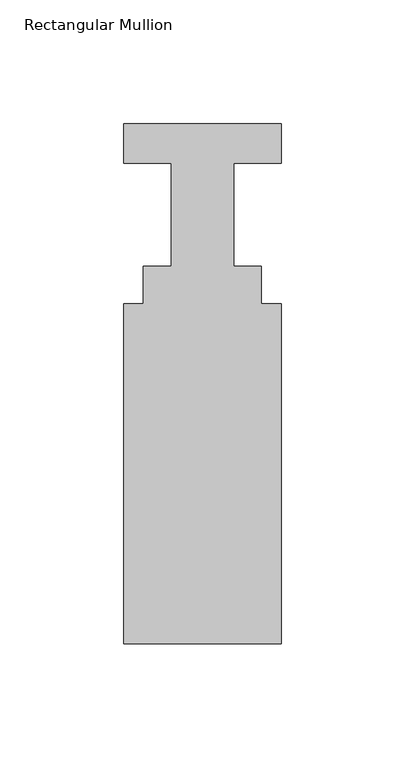
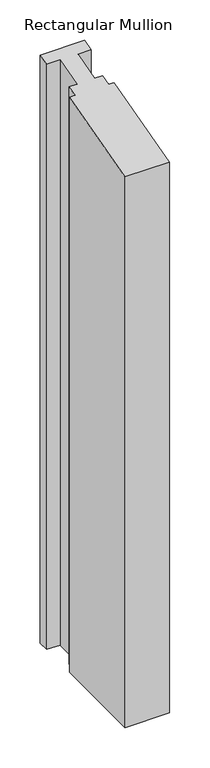
"""IFC4 building model written with IfcOpenShell, lengths in millimetres: member geometry, Rectangular Mullion."""

import ifcopenshell
import ifcopenshell.guid

model = None  # the IFC model being written
_history = None  # IfcOwnerHistory: only IFC2X3 demands one
_inside = {}  # id of a spatial element -> (the spatial element, [elements in it])
_under = {}  # id of a project, library or spatial element -> (it, [spatial elements below it])
_declared = {}  # id of a project -> (the project, [libraries it declares])
_typed = {}  # id of a type object -> (the type object, [elements of that type])
_made_of = {}  # id of a material, layer set ... -> (it, [elements and type objects made of it])


def new_model(schema):
    """Start an empty IFC model of exactly this schema.

    Asked for "IFC4X3", IfcOpenShell would pick the latest addendum, in which some entities
    have other attributes; the version numbers below select the first issue.
    IFC2X3 requires an IfcOwnerHistory on every rooted entity: one is made here for all.
    """
    global model, _history
    if schema == "IFC4X3":
        model = ifcopenshell.file(schema_version=(4, 3, 0, 0))
    else:
        model = ifcopenshell.file(schema=schema)
    _inside.clear()
    _under.clear()
    _declared.clear()
    _typed.clear()
    _made_of.clear()
    _history = None
    if model.schema == "IFC2X3":
        org = make("IfcOrganization", Name="unknown")
        user = make(
            "IfcPersonAndOrganization",
            ThePerson=make("IfcPerson", FamilyName="unknown"),
            TheOrganization=org,
        )
        app = make(
            "IfcApplication",
            ApplicationDeveloper=org,
            Version="unknown",
            ApplicationFullName="unknown",
            ApplicationIdentifier="unknown",
        )
        _history = make(
            "IfcOwnerHistory",
            OwningUser=user,
            OwningApplication=app,
            ChangeAction="ADDED",
            CreationDate=0,
        )
    return model


def make(cls, **values):
    """One entity of the class cls with the attributes given. An attribute that is None is left unset."""
    return model.create_entity(
        cls, **{name: value for name, value in values.items() if value is not None}
    )


def rooted(cls, **values):
    """An entity with a GlobalId (a new one), such as an element, a storey or a relation."""
    return make(cls, GlobalId=ifcopenshell.guid.new(), OwnerHistory=_history, **values)


def si_unit(unit_type, name, prefix=None):
    """IfcSIUnit, for example si_unit("LENGTHUNIT", "METRE", prefix="MILLI")."""
    return make("IfcSIUnit", UnitType=unit_type, Prefix=prefix, Name=name)


def assignment(units):
    """IfcUnitAssignment: the units of a project."""
    return None if units is None else make("IfcUnitAssignment", Units=units)


def point(xyz):
    """IfcCartesianPoint."""
    return None if xyz is None else make("IfcCartesianPoint", Coordinates=xyz)


def direction(xyz):
    """IfcDirection."""
    return None if xyz is None else make("IfcDirection", DirectionRatios=xyz)


def frame(location, z_axis=None, x_axis=None):
    """IfcAxis2Placement3D, a coordinate frame: its origin and axes. An axis left out is left unset."""
    return make(
        "IfcAxis2Placement3D",
        Location=point(location),
        Axis=direction(z_axis),
        RefDirection=direction(x_axis),
    )


def origin():
    """The frame at (0, 0, 0) with its axes left unset."""
    return frame((0.0, 0.0, 0.0))


def place(relative_to, where):
    """IfcLocalPlacement: puts the frame where relative to a parent placement (None: the world)."""
    return make(
        "IfcLocalPlacement", PlacementRelTo=relative_to, RelativePlacement=where
    )


def context(
    kind, dimensions, precision=None, world=None, true_north=None, identifier=None
):
    """IfcGeometricRepresentationContext, for example the 3D "Model" context."""
    return make(
        "IfcGeometricRepresentationContext",
        ContextIdentifier=identifier,
        ContextType=kind,
        CoordinateSpaceDimension=dimensions,
        Precision=precision,
        WorldCoordinateSystem=world,
        TrueNorth=true_north,
    )


def project(units=None, contexts=None):
    """IfcProject with its units and contexts."""
    return rooted(
        "IfcProject",
        Name="project",
        RepresentationContexts=contexts,
        UnitsInContext=assignment(units),
    )


def spatial(cls, under=None, at=None, **own):
    """A site, building, storey or space (cls), placed at a placement, below another one or the project."""
    s = rooted(cls, ObjectPlacement=at, **own)
    if under is not None:
        _under.setdefault(under.id(), (under, []))[1].append(s)
    return s


def faces_of(points, faces, orient=None, outer=None):
    """IfcFace entities. A face is a list of loops; a loop is a list of indices into points, from 0.

    orient and outer hold one flag for each loop. By default every Orientation is true, the
    first loop of a face is its IfcFaceOuterBound and the others are IfcFaceBound.
    """
    made = []
    for i, loops in enumerate(faces):
        bounds = []
        for j, loop in enumerate(loops):
            is_outer = j == 0 if outer is None else outer[i][j]
            bounds.append(
                make(
                    "IfcFaceOuterBound" if is_outer else "IfcFaceBound",
                    Bound=make("IfcPolyLoop", Polygon=[points[k] for k in loop]),
                    Orientation=True if orient is None else orient[i][j],
                )
            )
        made.append(make("IfcFace", Bounds=bounds))
    return made


def faceted_brep(points, faces, orient=None, outer=None, voids=None):
    """IfcFacetedBrep: a solid bounded by flat faces; with voids (closed shells), ...WithVoids."""
    shared = [point(p) for p in points]
    hull = make("IfcClosedShell", CfsFaces=faces_of(shared, faces, orient, outer))
    if voids is None:
        return make("IfcFacetedBrep", Outer=hull)
    return make(
        "IfcFacetedBrepWithVoids",
        Outer=hull,
        Voids=[
            make(cls, CfsFaces=faces_of(shared, fs, o, b)) for cls, fs, o, b in voids
        ],
    )


def shape(context_of_items, identifier, shape_type, items):
    """IfcShapeRepresentation: the items that make up one representation, for example the "Body"."""
    return make(
        "IfcShapeRepresentation",
        ContextOfItems=context_of_items,
        RepresentationIdentifier=identifier,
        RepresentationType=shape_type,
        Items=items,
    )


def source(mapping_origin, context_of_items, identifier, shape_type, items):
    """IfcRepresentationMap: a shape defined once, which mapped items show again and again."""
    return make(
        "IfcRepresentationMap",
        MappingOrigin=mapping_origin,
        MappedRepresentation=shape(context_of_items, identifier, shape_type, items),
    )


def transform(
    local_origin,
    x_axis=None,
    y_axis=None,
    z_axis=None,
    scale=None,
    scale2=None,
    scale3=None,
    uniform=True,
):
    """IfcCartesianTransformationOperator3D, or its non-uniform kind. x_axis, y_axis, z_axis: its Axis1, 2, 3."""
    if uniform:
        return make(
            "IfcCartesianTransformationOperator3D",
            Axis1=direction(x_axis),
            Axis2=direction(y_axis),
            LocalOrigin=point(local_origin),
            Scale=scale,
            Axis3=direction(z_axis),
        )
    return make(
        "IfcCartesianTransformationOperator3DnonUniform",
        Axis1=direction(x_axis),
        Axis2=direction(y_axis),
        LocalOrigin=point(local_origin),
        Scale=scale,
        Axis3=direction(z_axis),
        Scale2=scale2,
        Scale3=scale3,
    )


def mapped(mapping_source, mapping_target):
    """IfcMappedItem: shows the shape of a source again, moved by a transform."""
    return make(
        "IfcMappedItem", MappingSource=mapping_source, MappingTarget=mapping_target
    )


def made_of(thing, what):
    """Note that an element or type object is made of a material, layer set ...; save() writes the relation."""
    if what is not None:
        _made_of.setdefault(what.id(), (what, []))[1].append(thing)
    return thing


def element(
    cls,
    number,
    at=None,
    inside=None,
    cuts=None,
    type_object=None,
    material=None,
    context=None,
    identifier="Body",
    shape_type=None,
    held_by="IfcProductDefinitionShape",
    body=None,
    shapes=None,
    **own,
):
    """One element of the class cls, such as IfcWall. Its Tag is "e" and its number.

    at: its placement. inside: the storey or other place that contains it. cuts: it is an
    opening in that element (IfcRelVoidsElement). A single representation is given by context,
    identifier, shape_type and body (its items); several are given by shapes. held_by: the class
    of the entity that holds the representations. save() writes the other relations.
    """
    e = rooted(cls, Tag="e%d" % number, ObjectPlacement=at, **own)
    if body is not None:
        shapes = [shape(context, identifier, shape_type, body)]
    if shapes is not None:
        e.Representation = make(held_by, Representations=shapes)
    if inside is not None:
        _inside.setdefault(inside.id(), (inside, []))[1].append(e)
    if cuts is not None:
        rooted(
            "IfcRelVoidsElement", RelatingBuildingElement=cuts, RelatedOpeningElement=e
        )
    if type_object is not None:
        _typed.setdefault(type_object.id(), (type_object, []))[1].append(e)
    return made_of(e, material)


def aggregate(whole, parts):
    """IfcRelAggregates: a whole, such as a stair, and the parts it consists of."""
    return rooted("IfcRelAggregates", RelatingObject=whole, RelatedObjects=parts)


def save(model, path):
    """Write the relations noted so far, then the file.

    IfcRelAggregates (storeys below a building ...), IfcRelContainedInSpatialStructure (elements
    in a storey), IfcRelDefinesByType, IfcRelAssociatesMaterial and IfcRelDeclares: one each for
    every whole, place, type object, material and project.
    """
    for whole, parts in _under.values():
        aggregate(whole, parts)
    for where, things in _inside.values():
        rooted(
            "IfcRelContainedInSpatialStructure",
            RelatedElements=things,
            RelatingStructure=where,
        )
    for kind, things in _typed.values():
        rooted("IfcRelDefinesByType", RelatedObjects=things, RelatingType=kind)
    for what, things in _made_of.values():
        rooted("IfcRelAssociatesMaterial", RelatedObjects=things, RelatingMaterial=what)
    for by, libraries in _declared.values():
        rooted("IfcRelDeclares", RelatingContext=by, RelatedDefinitions=libraries)
    model.write(path)


def rectangular_mullion_583b0216(model_context):
    return source(origin(), model_context, "Body", "Brep", [
        faceted_brep([(31.75, 4.8617187, -881.0643319), (12.7, 4.8617187, -881.0643319), (12.7, -36.7942813, -881.0643319), (23.8252, -36.7942813, -881.0643319), (23.8252, -51.8564813, -881.0643319), (31.75, -51.8564813, -881.0643319), (31.75, -189.1942813, -881.0643319), (-31.75, -189.1942813, -881.0643319), (-31.75, -51.8564813, -881.0643319), (-23.8252, -51.8564813, -881.0643319), (-23.8252, -36.7942813, -881.0643319), (-12.7, -36.7942813, -881.0643319), (-12.7, 4.8617187, -881.0643319), (-31.75, 4.8617187, -881.0643319), (-31.75, 20.7367187, -881.0643319), (31.75, 20.7367187, -881.0643319), (31.75, 20.7367187, 5.556387), (31.75, 4.8617187, 1.3026936), (-31.75, 20.7367187, 5.556387), (-31.75, 4.8617187, 1.3026936), (-12.7, 4.8617187, 1.3026936), (-12.7, -36.7942813, -9.8589979), (-23.8252, -36.7942813, -9.8589979), (-23.8252, -51.8564813, -13.8949023), (-31.75, -51.8564813, -13.8949023), (-31.75, -189.1942813, -50.6944549), (31.75, -189.1942813, -50.6944549), (31.75, -51.8564813, -13.8949023), (23.8252, -51.8564813, -13.8949023), (23.8252, -36.7942813, -9.8589979), (12.7, -36.7942813, -9.8589979), (12.7, 4.8617187, 1.3026936)], [[[0, 1, 2, 3, 4, 5, 6, 7, 8, 9, 10, 11, 12, 13, 14, 15]], [[16, 17, 0, 15]], [[18, 16, 15, 14]], [[19, 18, 14, 13]], [[20, 19, 13, 12]], [[21, 20, 12, 11]], [[22, 21, 11, 10]], [[23, 22, 10, 9]], [[24, 23, 9, 8]], [[25, 24, 8, 7]], [[26, 25, 7, 6]], [[27, 26, 6, 5]], [[28, 27, 5, 4]], [[29, 28, 4, 3]], [[30, 29, 3, 2]], [[31, 30, 2, 1]], [[17, 31, 1, 0]], [[17, 16, 18, 19, 20, 21, 22, 23, 24, 25, 26, 27, 28, 29, 30, 31]]]),
    ])


if __name__ == "__main__":
    model = new_model("IFC4")
    model_context = context("Model", 3, world=origin())
    ifc_project = project(units=[si_unit("LENGTHUNIT", "METRE", prefix="MILLI")], contexts=[model_context])
    site = spatial("IfcSite", under=ifc_project)
    building = spatial("IfcBuilding", under=site)
    placement = place(None, origin())
    rectangular_mullion_shape = rectangular_mullion_583b0216(model_context)
    element("IfcMember", 1, ObjectType="Rectangular Mullion", at=placement, inside=building, context=model_context, shape_type="MappedRepresentation", body=[
        mapped(rectangular_mullion_shape, transform((0.0, 0.0, 0.0), x_axis=(1.0, 0.0, 0.0), y_axis=(0.0, 1.0, 0.0), z_axis=(0.0, 0.0, 1.0))),
    ])
    save(model, "model.ifc")
